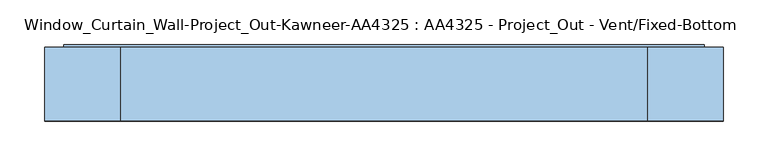
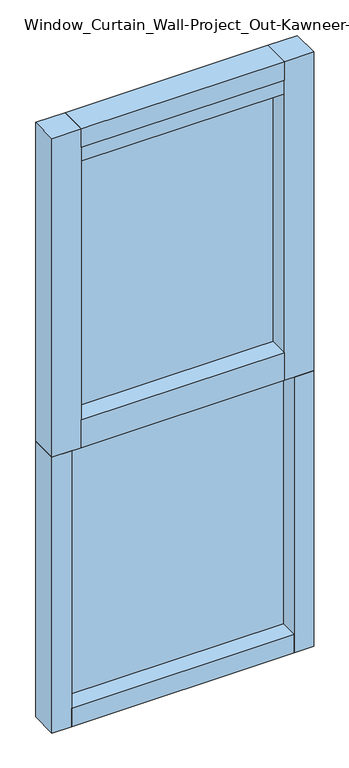
"""IFC4 building model written with IfcOpenShell, lengths in millimetres: window geometry, Window_Curtain_Wall-Project_Out-Kawneer-AA4325 : AA4325 - Project_Out - Vent/Fixed-Bottom."""

from ifc_helpers import new_model, si_unit, frame, origin, origin_with_axes, place, context, project, spatial, polyline, outline, extrude, source, transform, mapped, element, save


def window_curtain_wall_project_out_kawneer_aa4325_aa4325_9ca7d5b6(model_context):
    return source(origin(), model_context, "Body", "SweptSolid", [
        extrude(outline(polyline([(-323.85, 38.1), (323.85, 38.1), (323.85, 12.7), (-323.85, 12.7), (-323.85, 38.1)])), frame((0.0, 0.0, 57.15), z_axis=(0.0, 0.0, 1.0), x_axis=(1.0, 0.0, 0.0)), (0.0, 0.0, 1.0), 790.971875),
        extrude(outline(polyline([(381.0, 41.275), (381.0, -41.275), (323.85, -41.275), (323.85, 41.275), (381.0, 41.275)])), origin_with_axes(), (0.0, 0.0, 1.0), 848.121875),
        extrude(outline(polyline([(-323.85, 41.275), (-323.85, -41.275), (-381.0, -41.275), (-381.0, 41.275), (-323.85, 41.275)])), origin_with_axes(), (0.0, 0.0, 1.0), 848.121875),
        extrude(outline(polyline([(323.85, 41.275), (323.85, -41.275), (-323.85, -41.275), (-323.85, 41.275), (323.85, 41.275)])), origin_with_axes(), (0.0, 0.0, 1.0), 57.15),
        extrude(outline(polyline([(869.553125, -359.56875), (869.553125, 359.56875), (1787.525, 359.56875), (1787.525, -359.56875), (869.553125, -359.56875)]), holes=[polyline([(1727.2, -299.24375), (1727.2, 299.24375), (929.878125, 299.24375), (929.878125, -299.24375), (1727.2, -299.24375)])]), frame((0.0, -38.1, 0.0), z_axis=(0.0, 1.0, 0.0), x_axis=(0.0, 0.0, 1.0)), (0.0, 0.0, 1.0), 82.55),
        extrude(outline(polyline([(-299.24375, 15.875), (-299.24375, 41.275), (299.24375, 41.275), (299.24375, 15.875), (-299.24375, 15.875)])), frame((0.0, 0.0, 929.878125), z_axis=(0.0, 0.0, 1.0), x_axis=(1.0, 0.0, 0.0)), (0.0, 0.0, 1.0), 797.321875),
        extrude(outline(polyline([(295.275, 41.275), (295.275, -41.275), (-295.275, -41.275), (-295.275, 41.275), (295.275, 41.275)])), frame((0.0, 0.0, 1771.65), z_axis=(0.0, 0.0, 1.0), x_axis=(1.0, 0.0, 0.0)), (0.0, 0.0, 1.0), 57.15),
        extrude(outline(polyline([(295.275, 41.275), (295.275, -41.275), (-295.275, -41.275), (-295.275, 41.275), (295.275, 41.275)])), frame((0.0, 0.0, 848.121875), z_axis=(0.0, 0.0, 1.0), x_axis=(1.0, 0.0, 0.0)), (0.0, 0.0, 1.0), 85.725),
        extrude(outline(polyline([(-381.0, -41.275), (-381.0, 41.275), (-295.275, 41.275), (-295.275, -41.275), (-381.0, -41.275)])), frame((0.0, 0.0, 848.121875), z_axis=(0.0, 0.0, 1.0), x_axis=(1.0, 0.0, 0.0)), (0.0, 0.0, 1.0), 980.678125),
        extrude(outline(polyline([(381.0, -41.275), (295.275, -41.275), (295.275, 41.275), (381.0, 41.275), (381.0, -41.275)])), frame((0.0, 0.0, 848.121875), z_axis=(0.0, 0.0, 1.0), x_axis=(1.0, 0.0, 0.0)), (0.0, 0.0, 1.0), 980.678125),
    ])


if __name__ == "__main__":
    model = new_model("IFC4")
    model_context = context("Model", 3, world=origin())
    ifc_project = project(units=[si_unit("LENGTHUNIT", "METRE", prefix="MILLI")], contexts=[model_context])
    site = spatial("IfcSite", under=ifc_project)
    building = spatial("IfcBuilding", under=site)
    placement = place(None, origin())
    window_curtain_wall_project_out_kawneer_aa4325_aa4325_shape = window_curtain_wall_project_out_kawneer_aa4325_aa4325_9ca7d5b6(model_context)
    element("IfcWindow", 1, ObjectType="Window_Curtain_Wall-Project_Out-Kawneer-AA4325 : AA4325 - Project_Out - Vent/Fixed-Bottom", at=placement, inside=building, context=model_context, shape_type="MappedRepresentation", body=[
        mapped(window_curtain_wall_project_out_kawneer_aa4325_aa4325_shape, transform((0.0, 0.0, 0.0), x_axis=(1.0, 0.0, 0.0), y_axis=(0.0, 1.0, 0.0), z_axis=(0.0, 0.0, 1.0))),
    ])
    save(model, "model.ifc")
